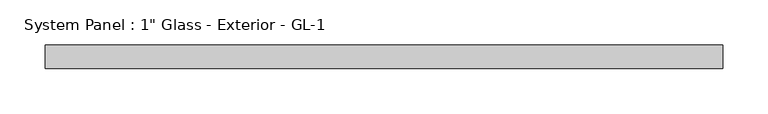
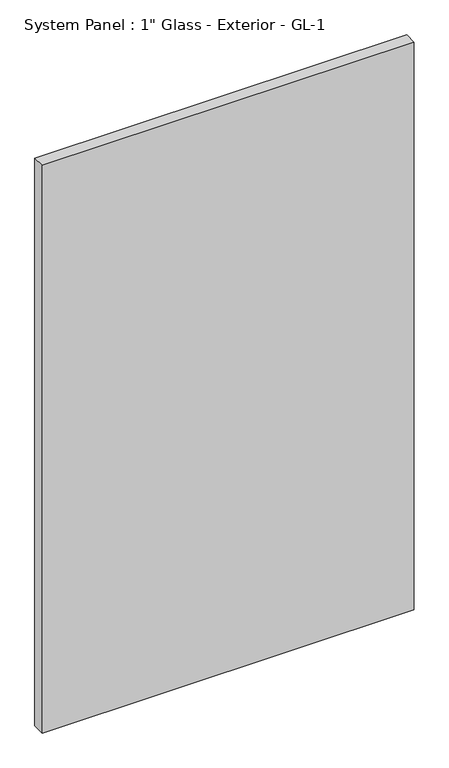
"""IFC4 building model written with IfcOpenShell, lengths in millimetres: plate geometry."""

from ifc_helpers import new_model, si_unit, origin, origin_with_axes, place, context, project, spatial, polyline, outline, extrude, source, transform, mapped, element, save


def plate_683185c3(model_context):
    return source(origin(), model_context, "Body", "SweptSolid", [
        extrude(outline(polyline([(372.2050577, 12.7), (-372.2050577, 12.7), (-372.2050577, 38.1), (372.2050577, 38.1), (372.2050577, 12.7)])), origin_with_axes(), (0.0, 0.0, 1.0), 1200.15),
    ])


if __name__ == "__main__":
    model = new_model("IFC4")
    model_context = context("Model", 3, world=origin())
    ifc_project = project(units=[si_unit("LENGTHUNIT", "METRE", prefix="MILLI")], contexts=[model_context])
    site = spatial("IfcSite", under=ifc_project)
    building = spatial("IfcBuilding", under=site)
    placement = place(None, origin())
    plate_shape = plate_683185c3(model_context)
    element("IfcPlate", 1, ObjectType="System Panel : 1\" Glass - Exterior - GL-1", at=placement, inside=building, context=model_context, shape_type="MappedRepresentation", body=[
        mapped(plate_shape, transform((0.0, 0.0, 0.0), x_axis=(1.0, 0.0, 0.0), y_axis=(0.0, 1.0, 0.0), z_axis=(0.0, 0.0, 1.0))),
    ])
    save(model, "model.ifc")
